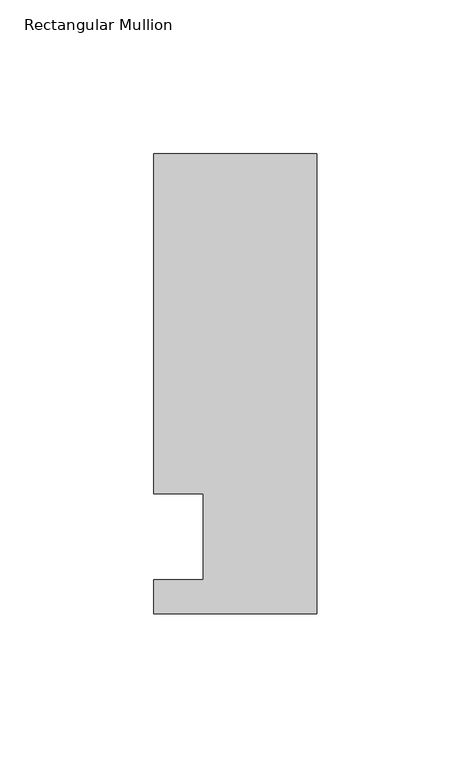
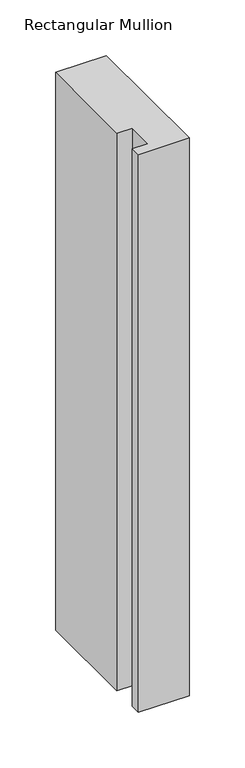
"""IFC4 building model written with IfcOpenShell, lengths in millimetres: member geometry, Rectangular Mullion."""

from ifc_helpers import new_model, si_unit, frame, origin, place, context, project, spatial, polyline, outline, extrude, source, transform, mapped, element, save


def rectangular_mullion_9db183e3(model_context):
    return source(origin(), model_context, "Body", "SweptSolid", [
        extrude(outline(polyline([(-37.0, -13.9999453), (-37.0, 14.0000547), (-53.0, 14.0000547), (-53.0, 124.5000547), (0.0, 124.5000547), (0.0, -24.9999453), (-53.0, -24.9999453), (-53.0, -13.9999453), (-37.0, -13.9999453)])), frame((0.0, 0.0, -613.2487321), z_axis=(0.0, 0.0, 1.0), x_axis=(1.0, 0.0, 0.0)), (0.0, 0.0, 1.0), 613.2487321),
    ])


if __name__ == "__main__":
    model = new_model("IFC4")
    model_context = context("Model", 3, world=origin())
    ifc_project = project(units=[si_unit("LENGTHUNIT", "METRE", prefix="MILLI")], contexts=[model_context])
    site = spatial("IfcSite", under=ifc_project)
    building = spatial("IfcBuilding", under=site)
    placement = place(None, origin())
    rectangular_mullion_shape = rectangular_mullion_9db183e3(model_context)
    element("IfcMember", 1, ObjectType="Rectangular Mullion", at=placement, inside=building, context=model_context, shape_type="MappedRepresentation", body=[
        mapped(rectangular_mullion_shape, transform((0.0, 0.0, 0.0), x_axis=(1.0, 0.0, 0.0), y_axis=(0.0, 1.0, 0.0), z_axis=(0.0, 0.0, 1.0))),
    ])
    save(model, "model.ifc")
